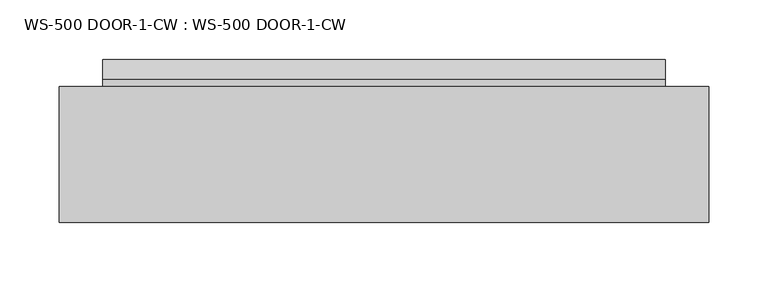
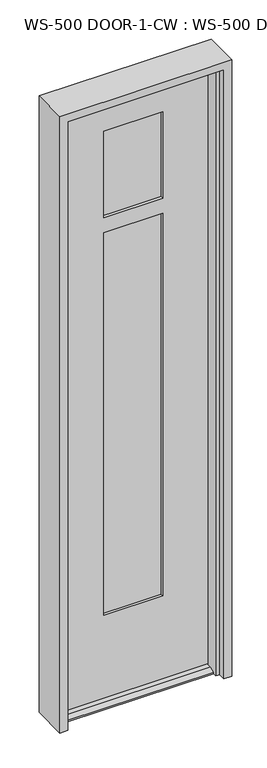
"""IFC4 building model written with IfcOpenShell, lengths in millimetres: plate geometry, WS-500 DOOR-1-CW : WS-500 DOOR-1-CW."""

from ifc_helpers import new_model, si_unit, frame, origin, place, context, project, spatial, polyline, outline, extrude, faceted_brep, source, transform, mapped, element, save


def ws_500_door_1_cw_ws_500_door_1_cw_f1b8a339(model_context):
    return source(origin(), model_context, "Body", "SolidModel", [
        extrude(outline(polyline([(100.5787258, -10.3835632), (100.5787258, -16.6827632), (-100.3353658, -16.6827632), (-100.3353658, -10.3835632), (100.5787258, -10.3835632)])), frame((0.0, 0.0, 1619.25), z_axis=(0.0, 0.0, 1.0), x_axis=(1.0, 0.0, 0.0)), (0.0, 0.0, 1.0), 304.8),
        extrude(outline(polyline([(100.5787258, -29.4843632), (100.5787258, -35.7835632), (-100.3353658, -35.7835632), (-100.3353658, -29.4843632), (100.5787258, -29.4843632)])), frame((0.0, 0.0, 1619.25), z_axis=(0.0, 0.0, 1.0), x_axis=(1.0, 0.0, 0.0)), (0.0, 0.0, 1.0), 304.8),
        extrude(outline(polyline([(100.5787258, -10.3835632), (100.5787258, -16.6827632), (-100.3353658, -16.6827632), (-100.3353658, -10.3835632), (100.5787258, -10.3835632)])), frame((0.0, 0.0, 283.36875), z_axis=(0.0, 0.0, 1.0), x_axis=(1.0, 0.0, 0.0)), (0.0, 0.0, 1.0), 1299.36875),
        extrude(outline(polyline([(100.5787258, -29.4843632), (100.5787258, -35.7835632), (-100.3353658, -35.7835632), (-100.3353658, -29.4843632), (100.5787258, -29.4843632)])), frame((0.0, 0.0, 283.36875), z_axis=(0.0, 0.0, 1.0), x_axis=(1.0, 0.0, 0.0)), (0.0, 0.0, 1.0), 1299.36875),
        faceted_brep([(93.4349758, -0.8585632, 1916.90625), (93.4349758, -10.3835632, 1916.90625), (-93.1916158, -10.3835632, 1916.90625), (-93.1916158, -0.8585632, 1916.90625), (100.5787258, -10.3835632, 1924.05), (100.5787258, -35.7835632, 1924.05), (-100.3353658, -35.7835632, 1924.05), (-100.3353658, -10.3835632, 1924.05), (93.4349758, -35.7835632, 1916.90625), (93.4349758, -45.3085632, 1916.90625), (-93.1916158, -45.3085632, 1916.90625), (-93.1916158, -35.7835632, 1916.90625), (236.7163758, -45.3085632, 12.7), (236.7163758, -61.9583086, 12.7), (236.7163758, -78.646154, 4.9183299), (236.7163758, -78.646154, 0.0), (236.7163758, -45.3085632, 0.0), (236.7163758, 22.9539368, 0.0), (236.7163758, 22.9539368, 4.9183299), (236.7163758, 6.2660914, 12.7), (236.7163758, -0.8585632, 12.7), (236.7163758, -0.8585632, 0.0), (-236.4730158, -0.8585632, 12.7), (-236.4730158, 6.2660914, 12.7), (-236.4730158, 22.9539368, 4.9183299), (-236.4730158, 22.9539368, 0.0), (-236.4730158, -0.8585632, 0.0), (-236.4730158, -78.646154, 0.0), (-236.4730158, -78.646154, 4.9183299), (-236.4730158, -61.9583086, 12.7), (-236.4730158, -45.3085632, 12.7), (-236.4730158, -45.3085632, 0.0), (93.4349758, -10.3835632, 290.5125), (93.4349758, -0.8585632, 290.5125), (-93.1916158, -0.8585632, 290.5125), (-93.1916158, -10.3835632, 290.5125), (100.5787258, -35.7835632, 283.36875), (100.5787258, -10.3835632, 283.36875), (-100.3353658, -10.3835632, 283.36875), (-100.3353658, -35.7835632, 283.36875), (93.4349758, -45.3085632, 290.5125), (93.4349758, -35.7835632, 290.5125), (-93.1916158, -35.7835632, 290.5125), (-93.1916158, -45.3085632, 290.5125), (93.4349758, -0.8585632, 1626.39375), (-93.1916158, -0.8585632, 1626.39375), (-93.1916158, -10.3835632, 1626.39375), (93.4349758, -10.3835632, 1626.39375), (-100.3353658, -35.7835632, 1619.25), (100.5787258, -35.7835632, 1619.25), (100.5787258, -10.3835632, 1619.25), (-100.3353658, -10.3835632, 1619.25), (93.4349758, -35.7835632, 1626.39375), (-93.1916158, -35.7835632, 1626.39375), (-93.1916158, -45.3085632, 1626.39375), (93.4349758, -45.3085632, 1626.39375), (-93.1916158, -35.7835632, 1575.59375), (93.4349758, -35.7835632, 1575.59375), (93.4349758, -45.3085632, 1575.59375), (-93.1916158, -45.3085632, 1575.59375), (100.5787258, -35.7835632, 1582.7375), (-100.3353658, -35.7835632, 1582.7375), (-100.3353658, -10.3835632, 1582.7375), (100.5787258, -10.3835632, 1582.7375), (-93.1916158, -0.8585632, 1575.59375), (93.4349758, -0.8585632, 1575.59375), (93.4349758, -10.3835632, 1575.59375), (-93.1916158, -10.3835632, 1575.59375), (-236.4730158, -45.3085632, 2037.55625), (-239.2416158, -0.8585632, 2037.55625), (-239.2416158, -0.8585632, 0.0), (239.4849758, -0.8585632, 2037.55625), (236.7163758, -45.3085632, 2037.55625), (239.4849758, -0.8585632, 0.0)], [[[0, 1, 2, 3]], [[4, 5, 6, 7]], [[8, 9, 10, 11]], [[12, 13, 14, 15, 16]], [[17, 18, 19, 20, 21]], [[22, 23, 24, 25, 26]], [[27, 28, 29, 30, 31]], [[32, 33, 34, 35]], [[36, 37, 38, 39]], [[40, 41, 42, 43]], [[13, 12, 30, 29]], [[20, 19, 23, 22]], [[44, 45, 46, 47]], [[48, 49, 50, 51]], [[52, 53, 54, 55]], [[56, 57, 58, 59]], [[60, 61, 62, 63]], [[64, 65, 66, 67]], [[14, 13, 29, 28]], [[15, 14, 28, 27]], [[18, 17, 25, 24]], [[19, 18, 24, 23]], [[11, 10, 54, 53]], [[43, 42, 56, 59]], [[51, 7, 6, 48]], [[61, 39, 38, 62]], [[3, 2, 46, 45]], [[35, 34, 64, 67]], [[68, 69, 70, 31, 30]], [[71, 72, 12, 16, 73]], [[1, 0, 44, 47]], [[33, 32, 66, 65]], [[38, 37, 63, 62], [32, 35, 67, 66]], [[4, 7, 51, 50], [2, 1, 47, 46]], [[63, 37, 36, 60]], [[49, 5, 4, 50]], [[6, 5, 49, 48], [8, 11, 53, 52]], [[36, 39, 61, 60], [42, 41, 57, 56]], [[9, 8, 52, 55]], [[41, 40, 58, 57]], [[12, 72, 68, 30], [43, 59, 58, 40], [10, 9, 55, 54]], [[71, 73, 21, 20, 22, 26, 70, 69], [0, 3, 45, 44], [33, 65, 64, 34]], [[72, 71, 69, 68]], [[73, 16, 15, 27, 31, 70, 26, 25, 17, 21]]]),
        faceted_brep([(-273.05, -114.3, 2070.1), (-273.05, 0.0, 2070.1), (-273.05, 0.0, 0.0), (-273.05, -114.3, 0.0), (273.05, 0.0, 2070.1), (273.05, -114.3, 2070.1), (273.05, -114.3, 0.0), (273.05, 0.0, 0.0), (234.95, -91.313, 0.0), (247.65, -91.313, 0.0), (247.65, -91.313, 2044.7), (-247.65, -91.313, 2044.7), (-247.65, -91.313, 0.0), (-234.95, -91.313, 0.0), (-234.95, -91.313, 2032.0), (234.95, -91.313, 2032.0), (247.65, -114.3, 2044.7), (-247.65, -114.3, 2044.7), (-247.65, -114.3, 0.0), (247.65, -114.3, 0.0), (247.65, 0.0, 0.0), (247.65, 0.0, 2044.7), (-247.65, 0.0, 2044.7), (-247.65, 0.0, 0.0), (247.65, -50.038, 2044.7), (-247.65, -50.038, 2044.7), (247.65, -50.038, 0.0), (234.95, -50.038, 0.0), (234.95, -50.038, 2032.0), (-234.95, -50.038, 2032.0), (-234.95, -50.038, 0.0), (-247.65, -50.038, 0.0)], [[[0, 1, 2, 3]], [[4, 5, 6, 7]], [[8, 9, 10, 11, 12, 13, 14, 15]], [[11, 10, 16, 17]], [[0, 3, 18, 17, 16, 19, 6, 5]], [[4, 1, 0, 5]], [[2, 1, 4, 7, 20, 21, 22, 23]], [[21, 24, 25, 22]], [[26, 27, 28, 29, 30, 31, 25, 24]], [[28, 15, 14, 29]], [[27, 26, 20, 7, 6, 19, 9, 8]], [[20, 26, 24, 21]], [[9, 19, 16, 10]], [[27, 8, 15, 28]], [[30, 13, 12, 18, 3, 2, 23, 31]], [[13, 30, 29, 14]], [[18, 12, 11, 17]], [[25, 31, 23, 22]]]),
    ])


if __name__ == "__main__":
    model = new_model("IFC4")
    model_context = context("Model", 3, world=origin())
    ifc_project = project(units=[si_unit("LENGTHUNIT", "METRE", prefix="MILLI")], contexts=[model_context])
    site = spatial("IfcSite", under=ifc_project)
    building = spatial("IfcBuilding", under=site)
    placement = place(None, origin())
    ws_500_door_1_cw_ws_500_door_1_cw_shape = ws_500_door_1_cw_ws_500_door_1_cw_f1b8a339(model_context)
    element("IfcPlate", 1, ObjectType="WS-500 DOOR-1-CW : WS-500 DOOR-1-CW", at=placement, inside=building, context=model_context, shape_type="MappedRepresentation", body=[
        mapped(ws_500_door_1_cw_ws_500_door_1_cw_shape, transform((0.0, 0.0, 0.0), x_axis=(1.0, 0.0, 0.0), y_axis=(0.0, 1.0, 0.0), z_axis=(0.0, 0.0, 1.0))),
    ])
    save(model, "model.ifc")
